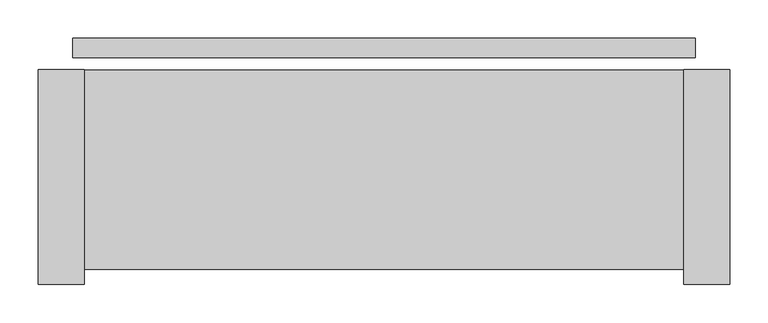
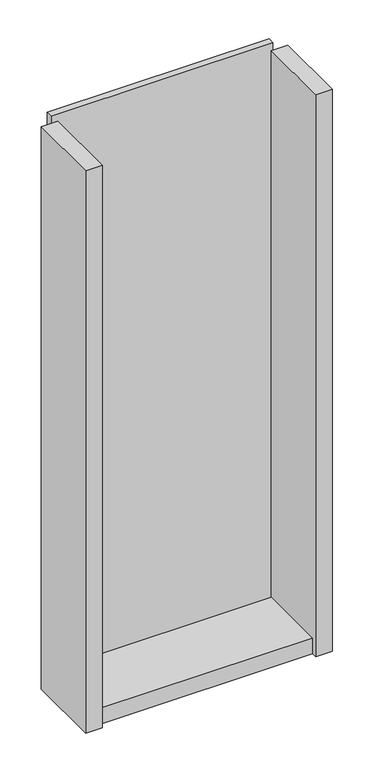
"""IFC4 building model written with IfcOpenShell, lengths in millimetres: plate geometry."""

from ifc_helpers import new_model, si_unit, frame, origin, origin_with_axes, place, context, project, spatial, polyline, outline, extrude, source, transform, mapped, element, save


def plate_e2f10899(model_context):
    return source(origin(), model_context, "Body", "SweptSolid", [
        extrude(outline(polyline([(405.2195514, 0.0), (405.2195514, -25.0), (-405.2195514, -25.0), (-405.2195514, 0.0), (405.2195514, 0.0)])), origin_with_axes(), (0.0, 0.0, 1.0), 2142.0),
        extrude(outline(polyline([(-390.2195514, -41.0), (-390.2195514, -321.0), (-450.2195514, -321.0), (-450.2195514, -41.0), (-390.2195514, -41.0)])), frame((0.0, 0.0, -45.0), z_axis=(0.0, 0.0, 1.0), x_axis=(1.0, 0.0, 0.0)), (0.0, 0.0, 1.0), 2172.0),
        extrude(outline(polyline([(390.2195514, -301.0), (-390.2195514, -301.0), (-390.2195514, -41.0), (390.2195514, -41.0), (390.2195514, -301.0)])), frame((0.0, 0.0, -45.0), z_axis=(0.0, 0.0, 1.0), x_axis=(1.0, 0.0, 0.0)), (0.0, 0.0, 1.0), 60.0),
        extrude(outline(polyline([(450.2195514, -41.0), (450.2195514, -321.0), (390.2195514, -321.0), (390.2195514, -41.0), (450.2195514, -41.0)])), frame((0.0, 0.0, -45.0), z_axis=(0.0, 0.0, 1.0), x_axis=(1.0, 0.0, 0.0)), (0.0, 0.0, 1.0), 2172.0),
    ])


if __name__ == "__main__":
    model = new_model("IFC4")
    model_context = context("Model", 3, world=origin())
    ifc_project = project(units=[si_unit("LENGTHUNIT", "METRE", prefix="MILLI")], contexts=[model_context])
    site = spatial("IfcSite", under=ifc_project)
    building = spatial("IfcBuilding", under=site)
    placement = place(None, origin())
    plate_shape = plate_e2f10899(model_context)
    element("IfcPlate", 1, at=placement, inside=building, context=model_context, shape_type="MappedRepresentation", body=[
        mapped(plate_shape, transform((0.0, 0.0, 0.0), x_axis=(1.0, 0.0, 0.0), y_axis=(0.0, 1.0, 0.0), z_axis=(0.0, 0.0, 1.0))),
    ])
    save(model, "model.ifc")
